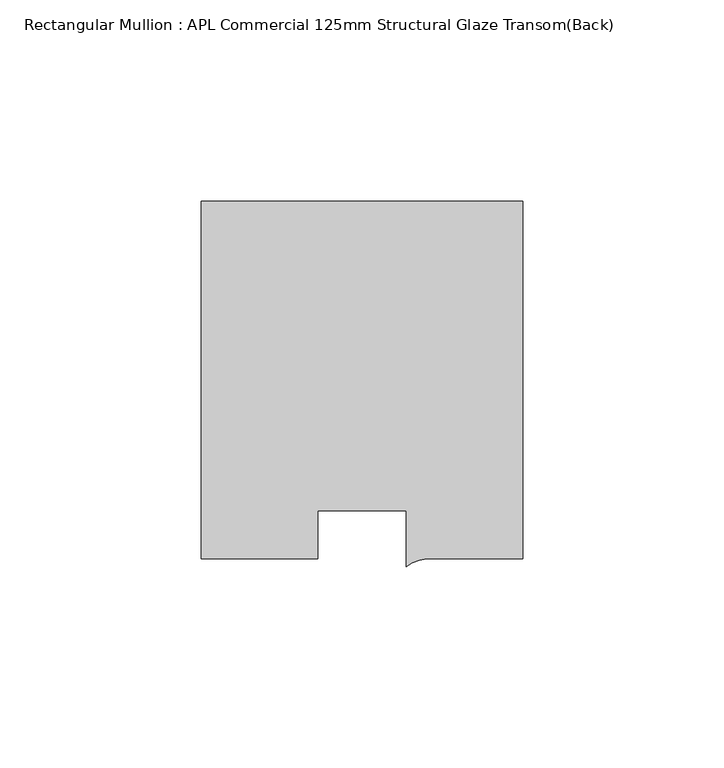
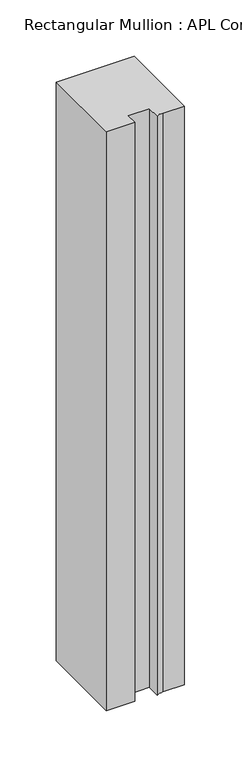
"""IFC4 building model written with IfcOpenShell, lengths in millimetres: member geometry, Rectangular Mullion : APL Commercial 125mm Structural Glaze Transom(Back)."""

from ifc_helpers import new_model, si_unit, point, frame, frame_2d, origin, place, context, project, spatial, polyline, circle_curve, trimmed, segment, composite_curve, outline, extrude, source, transform, mapped, element, save


def rectangular_mullion_apl_commercial_125mm_structural_glaze_d780f6ff(model_context):
    return source(origin(), model_context, "Body", "SweptSolid", [
        extrude(outline(composite_curve([segment(polyline([(40.0, 104.0), (40.0, 15.0000829), (17.9999542, 15.0000829)]), True, "CONTINUOUS"), segment(trimmed(circle_curve(frame_2d((17.1097719, 4.581653)), 10.4563907), [point((17.9999542, 15.0000829))], [point((11.0000151, 13.0673455))], True, "CARTESIAN"), True, "CONTINUOUS"), segment(polyline([(11.0000151, 13.0673455), (11.0000151, 27.0), (-11.0000151, 27.0), (-11.0000151, 15.0000829), (-40.0, 15.0000829), (-40.0, 104.0), (40.0, 104.0)]), True, "CONTINUOUS")], self_intersect=False)), frame((0.0, 0.0, -628.0250341), z_axis=(0.0, 0.0, 1.0), x_axis=(1.0, 0.0, 0.0)), (0.0, 0.0, 1.0), 628.0250341),
    ])


if __name__ == "__main__":
    model = new_model("IFC4")
    model_context = context("Model", 3, world=origin())
    ifc_project = project(units=[si_unit("LENGTHUNIT", "METRE", prefix="MILLI")], contexts=[model_context])
    site = spatial("IfcSite", under=ifc_project)
    building = spatial("IfcBuilding", under=site)
    placement = place(None, origin())
    rectangular_mullion_apl_commercial_125mm_structural_glaze_shape = rectangular_mullion_apl_commercial_125mm_structural_glaze_d780f6ff(model_context)
    element("IfcMember", 1, ObjectType="Rectangular Mullion : APL Commercial 125mm Structural Glaze Transom(Back)", at=placement, inside=building, context=model_context, shape_type="MappedRepresentation", body=[
        mapped(rectangular_mullion_apl_commercial_125mm_structural_glaze_shape, transform((0.0, 0.0, 0.0), x_axis=(1.0, 0.0, 0.0), y_axis=(0.0, 1.0, 0.0), z_axis=(0.0, 0.0, 1.0))),
    ])
    save(model, "model.ifc")
